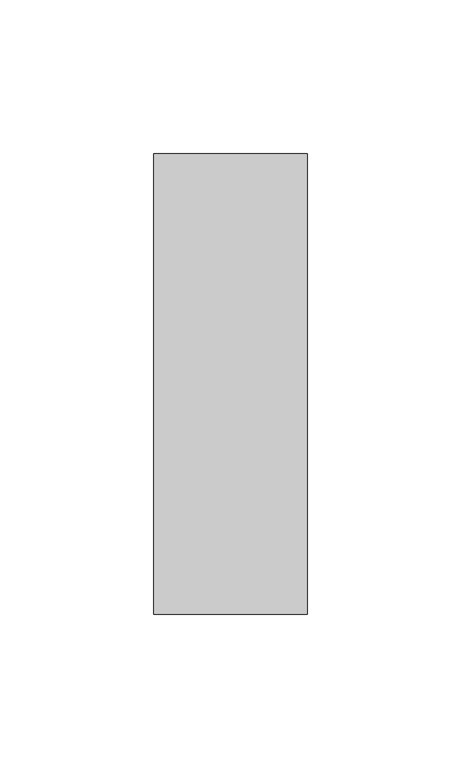
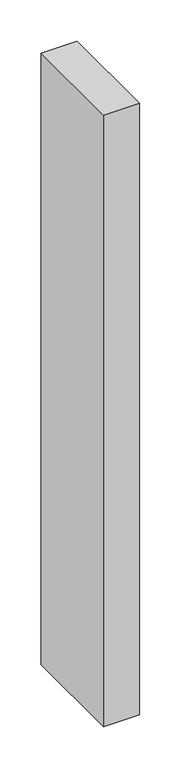
"""IFC4 building model written with IfcOpenShell, lengths in millimetres: member geometry."""

from ifc_helpers import new_model, si_unit, frame, origin, place, context, project, spatial, polyline, outline, extrude, source, transform, mapped, element, save


def member_3ddb3363(model_context):
    return source(origin(), model_context, "Body", "SweptSolid", [
        extrude(outline(polyline([(25.0, 75.0), (25.0, -75.0), (-25.0, -75.0), (-25.0, 75.0), (25.0, 75.0)])), frame((0.0, 0.0, -900.0), z_axis=(0.0, 0.0, 1.0), x_axis=(1.0, 0.0, 0.0)), (0.0, 0.0, 1.0), 900.0),
    ])


if __name__ == "__main__":
    model = new_model("IFC4")
    model_context = context("Model", 3, world=origin())
    ifc_project = project(units=[si_unit("LENGTHUNIT", "METRE", prefix="MILLI")], contexts=[model_context])
    site = spatial("IfcSite", under=ifc_project)
    building = spatial("IfcBuilding", under=site)
    placement = place(None, origin())
    member_shape = member_3ddb3363(model_context)
    element("IfcMember", 1, at=placement, inside=building, context=model_context, shape_type="MappedRepresentation", body=[
        mapped(member_shape, transform((0.0, 0.0, 0.0), x_axis=(1.0, 0.0, 0.0), y_axis=(0.0, 1.0, 0.0), z_axis=(0.0, 0.0, 1.0))),
    ])
    save(model, "model.ifc")
